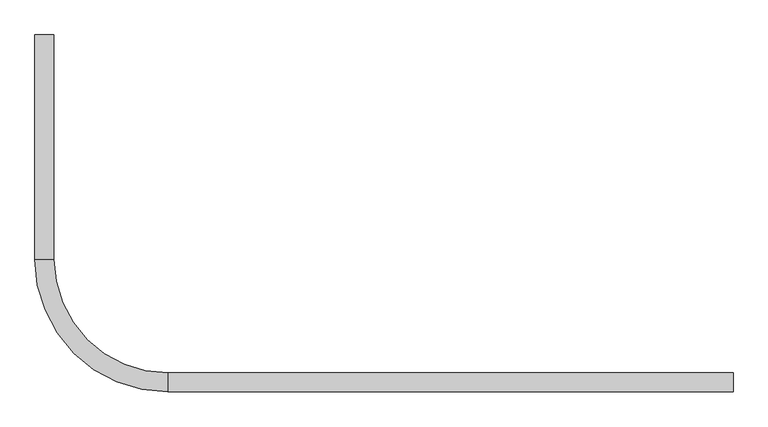
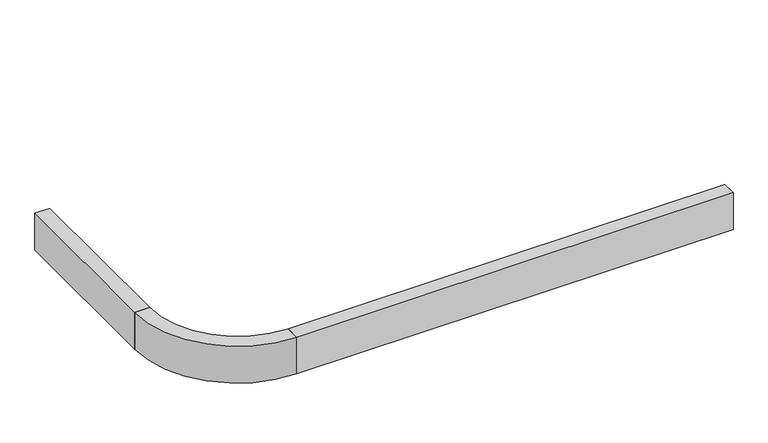
"""IFC4 building model written with IfcOpenShell, lengths in millimetres: railing geometry."""

from ifc_helpers import new_model, si_unit, point, frame, frame_2d, origin, place, context, project, spatial, polyline, circle_curve, trimmed, segment, composite_curve, outline, extrude, source, transform, mapped, element, save


def railing_fce57ede(model_context):
    return source(origin(), model_context, "Body", "SweptSolid", [
        extrude(outline(polyline([(29693.5486461, 35741.7761565), (29845.9903015, 35741.7761565), (29845.9903015, 33938.3969842), (29693.5486461, 33938.3969842), (29693.5486461, 35741.7761565)])), frame((0.0, 0.0, -355.6), z_axis=(0.0, 0.0, 1.0), x_axis=(1.0, 0.0, 0.0)), (0.0, 0.0, 1.0), 406.4),
        extrude(outline(composite_curve([segment(trimmed(circle_curve(frame_2d((30760.3694738, 33938.3969842)), 1066.8208277), [point((30760.3694738, 32871.5761565))], [point((29693.5486461, 33938.3969842))], False, "CARTESIAN"), True, "CONTINUOUS"), segment(polyline([(29693.5486461, 33938.3969842), (29845.9903015, 33938.3969842)]), True, "CONTINUOUS"), segment(trimmed(circle_curve(frame_2d((30760.3694738, 33938.3969842)), 914.3791723), [point((29845.9903015, 33938.3969842))], [point((30760.3694738, 33024.0178119))], True, "CARTESIAN"), True, "CONTINUOUS"), segment(polyline([(30760.3694738, 33024.0178119), (30760.3694738, 32871.5761565)]), True, "CONTINUOUS")], self_intersect=False)), frame((0.0, 0.0, -355.6), z_axis=(0.0, 0.0, 1.0), x_axis=(1.0, 0.0, 0.0)), (0.0, 0.0, 1.0), 406.4),
        extrude(outline(polyline([(30760.3694738, 32871.5761565), (30760.3694738, 33024.0178119), (35306.9694738, 33024.0178119), (35306.9694738, 32871.5761565), (30760.3694738, 32871.5761565)])), frame((0.0, 0.0, -355.6), z_axis=(0.0, 0.0, 1.0), x_axis=(1.0, 0.0, 0.0)), (0.0, 0.0, 1.0), 406.4),
    ])


if __name__ == "__main__":
    model = new_model("IFC4")
    model_context = context("Model", 3, world=origin())
    ifc_project = project(units=[si_unit("LENGTHUNIT", "METRE", prefix="MILLI")], contexts=[model_context])
    site = spatial("IfcSite", under=ifc_project)
    building = spatial("IfcBuilding", under=site)
    placement = place(None, origin())
    railing_shape = railing_fce57ede(model_context)
    element("IfcRailing", 1, at=placement, inside=building, context=model_context, shape_type="MappedRepresentation", body=[
        mapped(railing_shape, transform((0.0, 0.0, 0.0), x_axis=(1.0, 0.0, 0.0), y_axis=(0.0, 1.0, 0.0), z_axis=(0.0, 0.0, 1.0))),
    ])
    save(model, "model.ifc")
